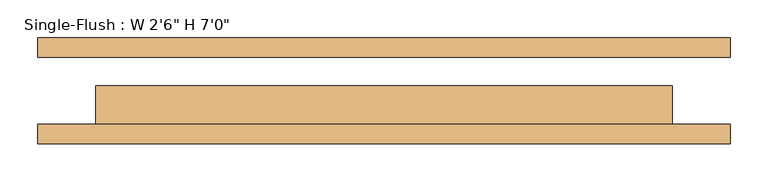
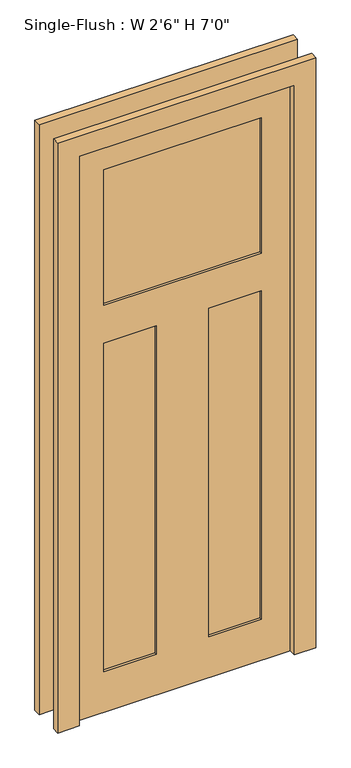
"""IFC4 building model written with IfcOpenShell, lengths in millimetres: door geometry."""

from ifc_helpers import new_model, si_unit, frame, origin, place, context, project, spatial, polyline, outline, extrude, faceted_brep, source, transform, mapped, element, save


def door_76b563ea(model_context):
    return source(origin(), model_context, "Body", "SolidModel", [
        faceted_brep([(381.0, 6.35, 2133.6), (381.0, 6.35, 0.0), (-381.0, 6.35, 0.0), (-381.0, 6.35, 2133.6), (279.4, 6.35, 2032.0), (-279.4, 6.35, 2032.0), (-279.4, 6.35, 1524.0), (279.4, 6.35, 1524.0), (-93.1333333, 6.35, 1382.3847826), (-279.4, 6.35, 1382.3847826), (-279.4, 6.35, 152.4), (-93.1333333, 6.35, 152.4), (93.1333333, 6.35, 1382.3847826), (93.1333333, 6.35, 152.4), (279.4, 6.35, 152.4), (279.4, 6.35, 1382.3847826), (381.0, -44.45, 2133.6), (-381.0, -44.45, 2133.6), (-381.0, -44.45, 0.0), (381.0, -44.45, 0.0), (279.4, -44.45, 1524.0), (-279.4, -44.45, 1524.0), (-279.4, -44.45, 2032.0), (279.4, -44.45, 2032.0), (-93.1333333, -44.45, 152.4), (-279.4, -44.45, 152.4), (-279.4, -44.45, 1382.3847826), (-93.1333333, -44.45, 1382.3847826), (279.4, -44.45, 1382.3847826), (279.4, -44.45, 152.4), (93.1333333, -44.45, 152.4), (93.1333333, -44.45, 1382.3847826), (279.4, -34.925, 2032.0), (-279.4, -34.925, 2032.0), (-279.4, -34.925, 1524.0), (279.4, -34.925, 1524.0), (-93.1333333, -34.925, 1382.3847826), (-279.4, -34.925, 1382.3847826), (-279.4, -34.925, 152.4), (-93.1333333, -34.925, 152.4), (93.1333333, -34.925, 1382.3847826), (93.1333333, -34.925, 152.4), (279.4, -34.925, 152.4), (279.4, -34.925, 1382.3847826), (279.4, -3.175, 2032.0), (279.4, -3.175, 1524.0), (-279.4, -3.175, 1524.0), (-279.4, -3.175, 2032.0), (-93.1333333, -3.175, 1382.3847826), (-93.1333333, -3.175, 152.4), (-279.4, -3.175, 152.4), (-279.4, -3.175, 1382.3847826), (93.1333333, -3.175, 1382.3847826), (279.4, -3.175, 1382.3847826), (279.4, -3.175, 152.4), (93.1333333, -3.175, 152.4)], [[[0, 1, 2, 3], [4, 5, 6, 7], [8, 9, 10, 11], [12, 13, 14, 15]], [[16, 17, 18, 19], [20, 21, 22, 23], [24, 25, 26, 27], [28, 29, 30, 31]], [[3, 17, 16, 0]], [[2, 18, 17, 3]], [[1, 19, 18, 2]], [[0, 16, 19, 1]], [[32, 33, 34, 35]], [[36, 37, 38, 39]], [[40, 41, 42, 43]], [[35, 20, 23, 32]], [[34, 21, 20, 35]], [[33, 22, 21, 34]], [[32, 23, 22, 33]], [[39, 24, 27, 36]], [[38, 25, 24, 39]], [[37, 26, 25, 38]], [[36, 27, 26, 37]], [[43, 28, 31, 40]], [[42, 29, 28, 43]], [[41, 30, 29, 42]], [[40, 31, 30, 41]], [[44, 45, 46, 47]], [[48, 49, 50, 51]], [[52, 53, 54, 55]], [[44, 4, 7, 45]], [[45, 7, 6, 46]], [[46, 6, 5, 47]], [[47, 5, 4, 44]], [[48, 8, 11, 49]], [[49, 11, 10, 50]], [[50, 10, 9, 51]], [[51, 9, 8, 48]], [[52, 12, 15, 53]], [[53, 15, 14, 54]], [[54, 14, 13, 55]], [[55, 13, 12, 52]]]),
        extrude(outline(polyline([(2209.8, -457.2), (0.0, -457.2), (0.0, -381.0), (2133.6, -381.0), (2133.6, 381.0), (0.0, 381.0), (0.0, 457.2), (2209.8, 457.2), (2209.8, -457.2)])), frame((0.0, -69.85, 0.0), z_axis=(0.0, 1.0, 0.0), x_axis=(0.0, 0.0, 1.0)), (0.0, 0.0, 1.0), 25.4),
        extrude(outline(polyline([(2209.8, 457.2), (2209.8, -457.2), (0.0, -457.2), (0.0, -381.0), (2133.6, -381.0), (2133.6, 381.0), (0.0, 381.0), (0.0, 457.2), (2209.8, 457.2)])), frame((0.0, 44.45, 0.0), z_axis=(0.0, 1.0, 0.0), x_axis=(0.0, 0.0, 1.0)), (0.0, 0.0, 1.0), 25.4),
    ])


if __name__ == "__main__":
    model = new_model("IFC4")
    model_context = context("Model", 3, world=origin())
    ifc_project = project(units=[si_unit("LENGTHUNIT", "METRE", prefix="MILLI")], contexts=[model_context])
    site = spatial("IfcSite", under=ifc_project)
    building = spatial("IfcBuilding", under=site)
    placement = place(None, origin())
    door_shape = door_76b563ea(model_context)
    element("IfcDoor", 1, ObjectType="Single-Flush : W 2'6\" H 7'0\"", at=placement, inside=building, context=model_context, shape_type="MappedRepresentation", body=[
        mapped(door_shape, transform((0.0, 0.0, 0.0), x_axis=(1.0, 0.0, 0.0), y_axis=(0.0, 1.0, 0.0), z_axis=(0.0, 0.0, 1.0))),
    ])
    save(model, "model.ifc")
